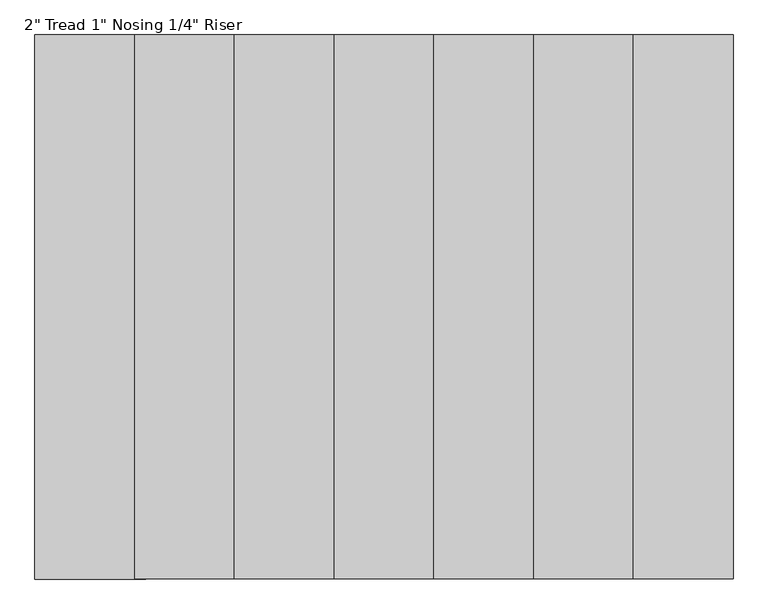
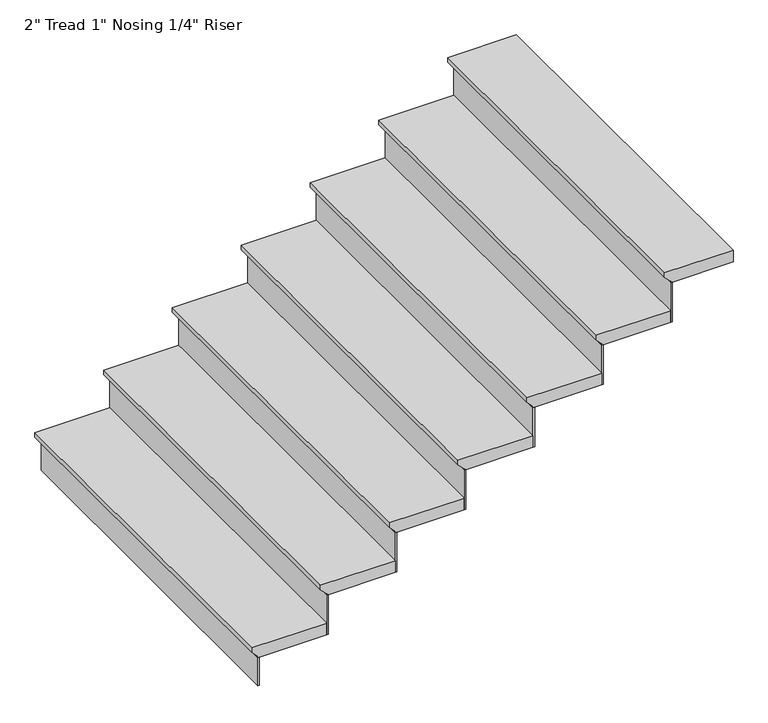
"""IFC4 building model written with IfcOpenShell, lengths in millimetres: stair flight geometry."""

from ifc_helpers import new_model, si_unit, frame, origin, place, context, project, spatial, polyline, outline, extrude, source, transform, mapped, element, save


def stair_flight_35173698(model_context):
    return source(origin(), model_context, "Body", "SweptSolid", [
        extrude(outline(polyline([(2558.1428571, -332727.6422848), (2558.1428571, -333032.4422848), (2539.0928571, -333032.4422848), (2513.6928571, -333007.0422848), (2507.3428571, -333007.0422848), (2507.3428571, -332727.6422848), (2558.1428571, -332727.6422848)])), frame((0.0, 195061.5350981, 0.0), z_axis=(0.0, 1.0, 0.0), x_axis=(0.0, 0.0, 1.0)), (0.0, 0.0, 1.0), 1524.0),
        extrude(outline(polyline([(-333000.6922848, 195061.5350981), (-333007.0422848, 195061.5350981), (-333007.0422848, 196585.5350981), (-333000.6922848, 196585.5350981), (-333000.6922848, 195061.5350981)])), frame((0.0, 0.0, 2387.6), z_axis=(0.0, 0.0, 1.0), x_axis=(1.0, 0.0, 0.0)), (0.0, 0.0, 1.0), 119.7428571),
        extrude(outline(polyline([(-332721.2922848, 195061.5350981), (-332727.6422848, 195061.5350981), (-332727.6422848, 196585.5350981), (-332721.2922848, 196585.5350981), (-332721.2922848, 195061.5350981)])), frame((0.0, 0.0, 2507.3428571), z_axis=(0.0, 0.0, 1.0), x_axis=(1.0, 0.0, 0.0)), (0.0, 0.0, 1.0), 170.5428571),
        extrude(outline(polyline([(2728.6857143, -332448.2422848), (2728.6857143, -332753.0422848), (2709.6357143, -332753.0422848), (2684.2357143, -332727.6422848), (2677.8857143, -332727.6422848), (2677.8857143, -332448.2422848), (2728.6857143, -332448.2422848)])), frame((0.0, 195061.5350981, 0.0), z_axis=(0.0, 1.0, 0.0), x_axis=(0.0, 0.0, 1.0)), (0.0, 0.0, 1.0), 1524.0),
        extrude(outline(polyline([(-332441.8922848, 195061.5350981), (-332448.2422848, 195061.5350981), (-332448.2422848, 196585.5350981), (-332441.8922848, 196585.5350981), (-332441.8922848, 195061.5350981)])), frame((0.0, 0.0, 2677.8857143), z_axis=(0.0, 0.0, 1.0), x_axis=(1.0, 0.0, 0.0)), (0.0, 0.0, 1.0), 170.5428571),
        extrude(outline(polyline([(2899.2285714, -332168.8422848), (2899.2285714, -332473.6422848), (2880.1785714, -332473.6422848), (2854.7785714, -332448.2422848), (2848.4285714, -332448.2422848), (2848.4285714, -332168.8422848), (2899.2285714, -332168.8422848)])), frame((0.0, 195061.5350981, 0.0), z_axis=(0.0, 1.0, 0.0), x_axis=(0.0, 0.0, 1.0)), (0.0, 0.0, 1.0), 1524.0),
        extrude(outline(polyline([(-332162.4922848, 195061.5350981), (-332168.8422848, 195061.5350981), (-332168.8422848, 196585.5350981), (-332162.4922848, 196585.5350981), (-332162.4922848, 195061.5350981)])), frame((0.0, 0.0, 2848.4285714), z_axis=(0.0, 0.0, 1.0), x_axis=(1.0, 0.0, 0.0)), (0.0, 0.0, 1.0), 170.5428571),
        extrude(outline(polyline([(3069.7714286, -331889.4422848), (3069.7714286, -332194.2422848), (3050.7214286, -332194.2422848), (3025.3214286, -332168.8422848), (3018.9714286, -332168.8422848), (3018.9714286, -331889.4422848), (3069.7714286, -331889.4422848)])), frame((0.0, 195061.5350981, 0.0), z_axis=(0.0, 1.0, 0.0), x_axis=(0.0, 0.0, 1.0)), (0.0, 0.0, 1.0), 1524.0),
        extrude(outline(polyline([(-331883.0922848, 195061.5350981), (-331889.4422848, 195061.5350981), (-331889.4422848, 196585.5350981), (-331883.0922848, 196585.5350981), (-331883.0922848, 195061.5350981)])), frame((0.0, 0.0, 3018.9714286), z_axis=(0.0, 0.0, 1.0), x_axis=(1.0, 0.0, 0.0)), (0.0, 0.0, 1.0), 170.5428571),
        extrude(outline(polyline([(3240.3142857, -331610.0422848), (3240.3142857, -331914.8422848), (3221.2642857, -331914.8422848), (3195.8642857, -331889.4422848), (3189.5142857, -331889.4422848), (3189.5142857, -331610.0422848), (3240.3142857, -331610.0422848)])), frame((0.0, 195061.5350981, 0.0), z_axis=(0.0, 1.0, 0.0), x_axis=(0.0, 0.0, 1.0)), (0.0, 0.0, 1.0), 1524.0),
        extrude(outline(polyline([(-331603.6922848, 195061.5350981), (-331610.0422848, 195061.5350981), (-331610.0422848, 196585.5350981), (-331603.6922848, 196585.5350981), (-331603.6922848, 195061.5350981)])), frame((0.0, 0.0, 3189.5142857), z_axis=(0.0, 0.0, 1.0), x_axis=(1.0, 0.0, 0.0)), (0.0, 0.0, 1.0), 170.5428571),
        extrude(outline(polyline([(3410.8571429, -331330.6422848), (3410.8571429, -331635.4422848), (3391.8071429, -331635.4422848), (3366.4071429, -331610.0422848), (3360.0571429, -331610.0422848), (3360.0571429, -331330.6422848), (3410.8571429, -331330.6422848)])), frame((0.0, 195061.5350981, 0.0), z_axis=(0.0, 1.0, 0.0), x_axis=(0.0, 0.0, 1.0)), (0.0, 0.0, 1.0), 1524.0),
        extrude(outline(polyline([(-331324.2922848, 195061.5350981), (-331330.6422848, 195061.5350981), (-331330.6422848, 196585.5350981), (-331324.2922848, 196585.5350981), (-331324.2922848, 195061.5350981)])), frame((0.0, 0.0, 3360.0571429), z_axis=(0.0, 0.0, 1.0), x_axis=(1.0, 0.0, 0.0)), (0.0, 0.0, 1.0), 170.5428571),
        extrude(outline(polyline([(3581.4, -331076.6422848), (3581.4, -331356.0422848), (3562.35, -331356.0422848), (3536.95, -331330.6422848), (3530.6, -331330.6422848), (3530.6, -331076.6422848), (3581.4, -331076.6422848)])), frame((0.0, 195061.5350981, 0.0), z_axis=(0.0, 1.0, 0.0), x_axis=(0.0, 0.0, 1.0)), (0.0, 0.0, 1.0), 1524.0),
    ])


if __name__ == "__main__":
    model = new_model("IFC4")
    model_context = context("Model", 3, world=origin())
    ifc_project = project(units=[si_unit("LENGTHUNIT", "METRE", prefix="MILLI")], contexts=[model_context])
    site = spatial("IfcSite", under=ifc_project)
    building = spatial("IfcBuilding", under=site)
    placement = place(None, origin())
    stair_flight_shape = stair_flight_35173698(model_context)
    element("IfcStairFlight", 1, ObjectType="2\" Tread 1\" Nosing 1/4\" Riser", at=placement, inside=building, context=model_context, shape_type="MappedRepresentation", body=[
        mapped(stair_flight_shape, transform((0.0, 0.0, 0.0), x_axis=(1.0, 0.0, 0.0), y_axis=(0.0, 1.0, 0.0), z_axis=(0.0, 0.0, 1.0))),
    ])
    save(model, "model.ifc")
